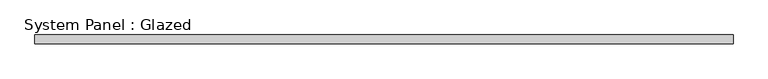
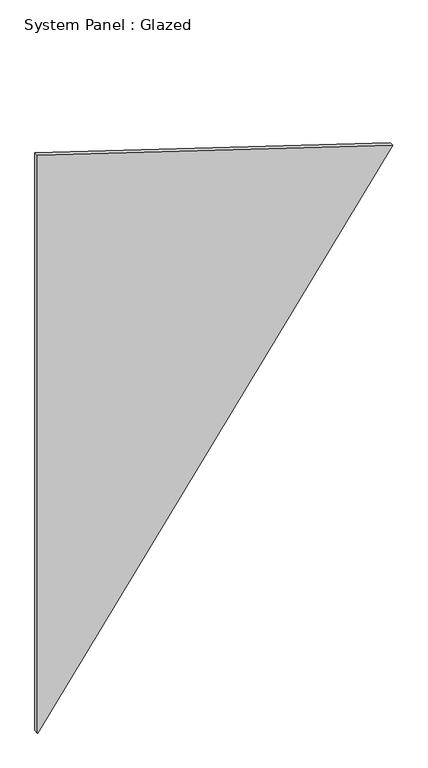
"""IFC4 building model written with IfcOpenShell, lengths in millimetres: plate geometry, System Panel : Glazed."""

from ifc_helpers import new_model, si_unit, frame, origin, place, context, project, spatial, polyline, outline, extrude, source, transform, mapped, element, save


def system_panel_glazed_e78b3f58(model_context):
    return source(origin(), model_context, "Body", "SweptSolid", [
        extrude(outline(polyline([(0.4791245, -1000.2956997), (0.0, -998.8007978), (2798.3342115, 1000.2956997), (3439.5285811, -1000.275544), (0.4791245, -1000.2956997)])), frame((0.0, -49.5, 0.0), z_axis=(0.0, 1.0, 0.0), x_axis=(0.0, 0.0, 1.0)), (0.0, 0.0, 1.0), 25.0),
    ])


if __name__ == "__main__":
    model = new_model("IFC4")
    model_context = context("Model", 3, world=origin())
    ifc_project = project(units=[si_unit("LENGTHUNIT", "METRE", prefix="MILLI")], contexts=[model_context])
    site = spatial("IfcSite", under=ifc_project)
    building = spatial("IfcBuilding", under=site)
    placement = place(None, origin())
    system_panel_glazed_shape = system_panel_glazed_e78b3f58(model_context)
    element("IfcPlate", 1, ObjectType="System Panel : Glazed", at=placement, inside=building, context=model_context, shape_type="MappedRepresentation", body=[
        mapped(system_panel_glazed_shape, transform((0.0, 0.0, 0.0), x_axis=(1.0, 0.0, 0.0), y_axis=(0.0, 1.0, 0.0), z_axis=(0.0, 0.0, 1.0))),
    ])
    save(model, "model.ifc")
